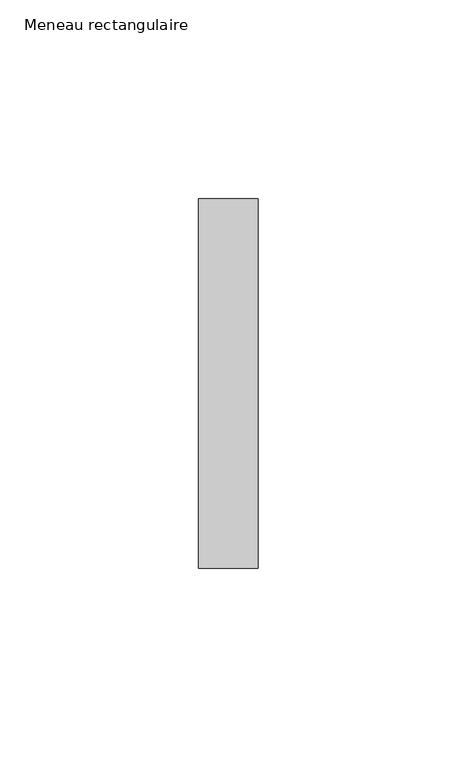
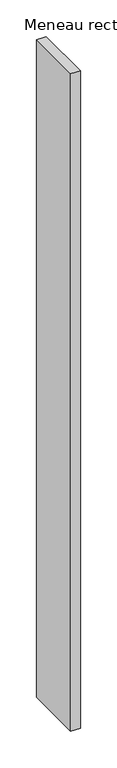
"""IFC4 building model written with IfcOpenShell, lengths in millimetres: member geometry, Meneau rectangulaire."""

from ifc_helpers import new_model, si_unit, frame, origin, place, context, project, spatial, polyline, outline, extrude, source, transform, mapped, element, save


def meneau_rectangulaire_97514a06(model_context):
    return source(origin(), model_context, "Body", "SweptSolid", [
        extrude(outline(polyline([(0.0, 46.5), (0.0, -46.5), (-15.0, -46.5), (-15.0, 46.5), (0.0, 46.5)])), frame((0.0, 0.0, -1091.2500002), z_axis=(0.0, 0.0, 1.0), x_axis=(1.0, 0.0, 0.0)), (0.0, 0.0, 1.0), 1091.2500002),
    ])


if __name__ == "__main__":
    model = new_model("IFC4")
    model_context = context("Model", 3, world=origin())
    ifc_project = project(units=[si_unit("LENGTHUNIT", "METRE", prefix="MILLI")], contexts=[model_context])
    site = spatial("IfcSite", under=ifc_project)
    building = spatial("IfcBuilding", under=site)
    placement = place(None, origin())
    meneau_rectangulaire_shape = meneau_rectangulaire_97514a06(model_context)
    element("IfcMember", 1, ObjectType="Meneau rectangulaire", at=placement, inside=building, context=model_context, shape_type="MappedRepresentation", body=[
        mapped(meneau_rectangulaire_shape, transform((0.0, 0.0, 0.0), x_axis=(1.0, 0.0, 0.0), y_axis=(0.0, 1.0, 0.0), z_axis=(0.0, 0.0, 1.0))),
    ])
    save(model, "model.ifc")
